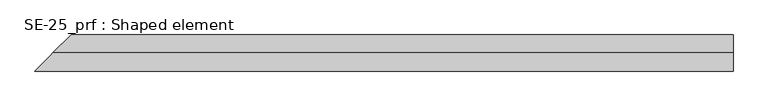
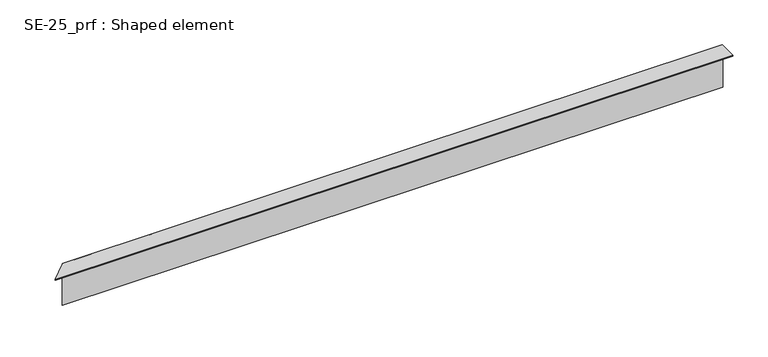
"""IFC4 building model written with IfcOpenShell, lengths in millimetres: proxy geometry, SE-25_prf : Shaped element."""

from ifc_helpers import new_model, si_unit, origin, place, context, project, spatial, faceted_brep, source, transform, mapped, element, save


def se_25_prf_shaped_element_326f92ec(model_context):
    return source(origin(), model_context, "Body", "Brep", [
        faceted_brep([(45.0, 45.0, 2.0), (45.0, 45.0, 5.0), (1510.0, 45.0, 5.0), (1510.0, 45.0, 2.0), (35.0, 35.0, 2.0), (1510.0, 35.0, 2.0), (35.0, 35.0, 3.0), (1510.0, 35.0, 3.0), (44.0, 44.0, 3.0), (1510.0, 44.0, 3.0), (44.0, 44.0, 4.0), (1510.0, 44.0, 4.0), (4.0, 4.0, 4.0), (1510.0, 4.0, 4.0), (4.0, 4.0, 104.0), (1510.0, 4.0, 104.0), (0.0, 0.0, 104.0), (1510.0, 0.0, 104.0), (1510.0, -34.0, 104.0), (-34.0, -34.0, 104.0), (5.0, 5.0, 105.0), (0.0, 0.0, 105.0), (-35.0, -35.0, 105.0), (1510.0, -35.0, 105.0), (1510.0, 0.0, 105.0), (1510.0, 5.0, 105.0), (5.0, 5.0, 5.0), (1510.0, 5.0, 5.0), (-34.0, -34.0, 103.0), (1510.0, -34.0, 103.0), (-25.0, -25.0, 103.0), (1510.0, -25.0, 103.0), (-25.0, -25.0, 102.0), (1510.0, -25.0, 102.0), (-35.0, -35.0, 102.0), (1510.0, -35.0, 102.0)], [[[0, 1, 2, 3]], [[4, 0, 3, 5]], [[6, 4, 5, 7]], [[8, 6, 7, 9]], [[10, 8, 9, 11]], [[12, 10, 11, 13]], [[14, 12, 13, 15]], [[16, 14, 15, 17, 18, 19]], [[20, 21, 22, 23, 24, 25]], [[26, 20, 25, 27]], [[1, 26, 27, 2]], [[28, 19, 18, 29]], [[30, 28, 29, 31]], [[32, 30, 31, 33]], [[34, 32, 33, 35]], [[22, 34, 35, 23]], [[16, 21, 20, 26, 1, 0, 4, 6, 8, 10, 12, 14]], [[21, 16, 19, 28, 30, 32, 34, 22]], [[24, 17, 15, 13, 11, 9, 7, 5, 3, 2, 27, 25]], [[17, 24, 23, 35, 33, 31, 29, 18]]]),
    ])


if __name__ == "__main__":
    model = new_model("IFC4")
    model_context = context("Model", 3, world=origin())
    ifc_project = project(units=[si_unit("LENGTHUNIT", "METRE", prefix="MILLI")], contexts=[model_context])
    site = spatial("IfcSite", under=ifc_project)
    building = spatial("IfcBuilding", under=site)
    placement = place(None, origin())
    se_25_prf_shaped_element_shape = se_25_prf_shaped_element_326f92ec(model_context)
    element("IfcBuildingElementProxy", 1, Name="SE-25_prf : Shaped element", ObjectType="SE-25_prf : Shaped element", at=placement, inside=building, context=model_context, shape_type="MappedRepresentation", body=[
        mapped(se_25_prf_shaped_element_shape, transform((0.0, 0.0, 0.0), x_axis=(1.0, 0.0, 0.0), y_axis=(0.0, 1.0, 0.0), z_axis=(0.0, 0.0, 1.0))),
    ])
    save(model, "model.ifc")
